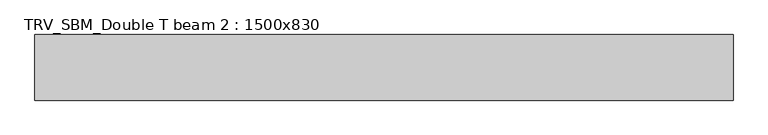
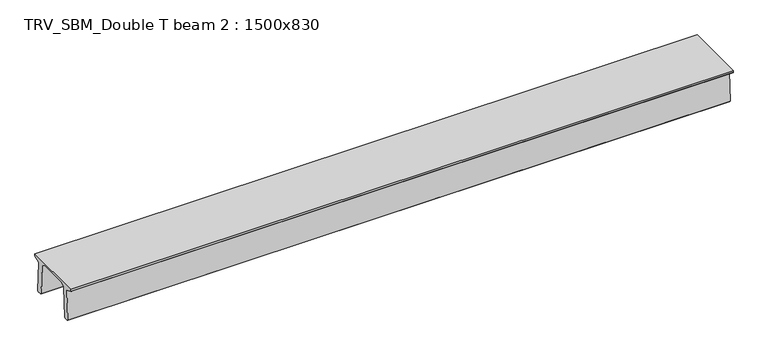
"""IFC4 building model written with IfcOpenShell, lengths in millimetres: beam geometry, TRV_SBM_Double T beam 2 : 1500x830."""

from ifc_helpers import new_model, si_unit, frame, origin, place, context, project, spatial, polyline, outline, extrude, source, transform, mapped, element, save


def trv_sbm_double_t_beam_2_1500x830_2f5a5fd9(model_context):
    return source(origin(), model_context, "Body", "SweptSolid", [
        extrude(outline(polyline([(337.4555014, 470.0), (-343.4555014, 470.0), (-456.5828437, 409.8491251), (-494.786332, -340.5206011), (-514.2657308, -360.0), (-604.2657308, -360.0), (-624.8277662, -339.4379646), (-586.9373878, 401.9654693), (-752.8511046, 468.9989621), (-753.0, 475.0), (-753.0, 520.0), (747.0, 520.0), (747.0, 475.0), (746.8511046, 468.9989621), (580.9373878, 401.9654693), (618.8277662, -339.4379646), (598.2657308, -360.0), (508.2657308, -360.0), (488.786332, -340.5206011), (450.5828437, 409.8491251), (337.4555014, 470.0)])), frame((-7978.0, 0.0, 0.0), z_axis=(1.0, 0.0, 0.0), x_axis=(0.0, 1.0, 0.0)), (0.0, 0.0, 1.0), 15956.0),
    ])


if __name__ == "__main__":
    model = new_model("IFC4")
    model_context = context("Model", 3, world=origin())
    ifc_project = project(units=[si_unit("LENGTHUNIT", "METRE", prefix="MILLI")], contexts=[model_context])
    site = spatial("IfcSite", under=ifc_project)
    building = spatial("IfcBuilding", under=site)
    placement = place(None, origin())
    trv_sbm_double_t_beam_2_1500x830_shape = trv_sbm_double_t_beam_2_1500x830_2f5a5fd9(model_context)
    element("IfcBeam", 1, ObjectType="TRV_SBM_Double T beam 2 : 1500x830", at=placement, inside=building, context=model_context, shape_type="MappedRepresentation", body=[
        mapped(trv_sbm_double_t_beam_2_1500x830_shape, transform((0.0, 0.0, 0.0), x_axis=(1.0, 0.0, 0.0), y_axis=(0.0, 1.0, 0.0), z_axis=(0.0, 0.0, 1.0))),
    ])
    save(model, "model.ifc")
